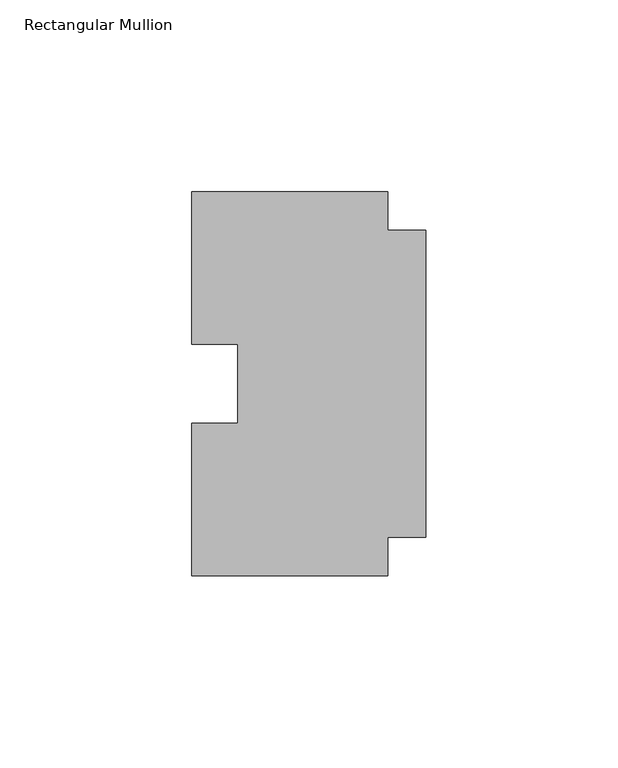
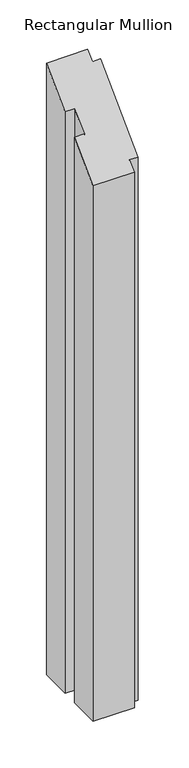
"""IFC4 building model written with IfcOpenShell, lengths in millimetres: member geometry, Rectangular Mullion."""

from ifc_helpers import new_model, si_unit, origin, place, context, project, spatial, faceted_brep, source, transform, mapped, element, save


def rectangular_mullion_ca2eebc0(model_context):
    return source(origin(), model_context, "Body", "Brep", [
        faceted_brep([(-10.0, 40.0, -749.9999997), (0.0, 40.0, -749.9999997), (0.0, -40.0, -749.9999997), (-10.0, -40.0, -749.9999997), (-10.0, -50.0, -749.9999997), (-61.0, -50.0, -749.9999997), (-61.0, -10.25, -749.9999997), (-49.0, -10.25, -749.9999997), (-49.0, 10.25, -749.9999997), (-61.0, 10.25, -749.9999997), (-61.0, 50.0, -749.9999997), (-10.0, 50.0, -749.9999997), (-10.0, 50.0, 50.0), (-10.0, 40.0, 40.0), (-61.0, 50.0, 50.0), (-61.0, 10.25, 10.25), (-49.0, 10.25, 10.25), (-49.0, -10.25, -10.25), (-61.0, -10.25, -10.25), (-61.0, -50.0, -50.0), (-10.0, -50.0, -50.0), (-10.0, -40.0, -40.0), (0.0, -40.0, -40.0), (0.0, 40.0, 40.0)], [[[0, 1, 2, 3, 4, 5, 6, 7, 8, 9, 10, 11]], [[12, 13, 0, 11]], [[14, 12, 11, 10]], [[15, 14, 10, 9]], [[16, 15, 9, 8]], [[17, 16, 8, 7]], [[18, 17, 7, 6]], [[19, 18, 6, 5]], [[20, 19, 5, 4]], [[21, 20, 4, 3]], [[22, 21, 3, 2]], [[23, 22, 2, 1]], [[13, 23, 1, 0]], [[13, 12, 14, 15, 16, 17, 18, 19, 20, 21, 22, 23]]]),
    ])


if __name__ == "__main__":
    model = new_model("IFC4")
    model_context = context("Model", 3, world=origin())
    ifc_project = project(units=[si_unit("LENGTHUNIT", "METRE", prefix="MILLI")], contexts=[model_context])
    site = spatial("IfcSite", under=ifc_project)
    building = spatial("IfcBuilding", under=site)
    placement = place(None, origin())
    rectangular_mullion_shape = rectangular_mullion_ca2eebc0(model_context)
    element("IfcMember", 1, ObjectType="Rectangular Mullion", at=placement, inside=building, context=model_context, shape_type="MappedRepresentation", body=[
        mapped(rectangular_mullion_shape, transform((0.0, 0.0, 0.0), x_axis=(1.0, 0.0, 0.0), y_axis=(0.0, 1.0, 0.0), z_axis=(0.0, 0.0, 1.0))),
    ])
    save(model, "model.ifc")
